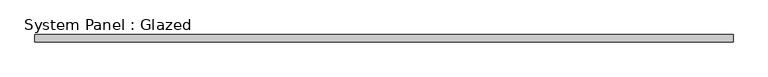
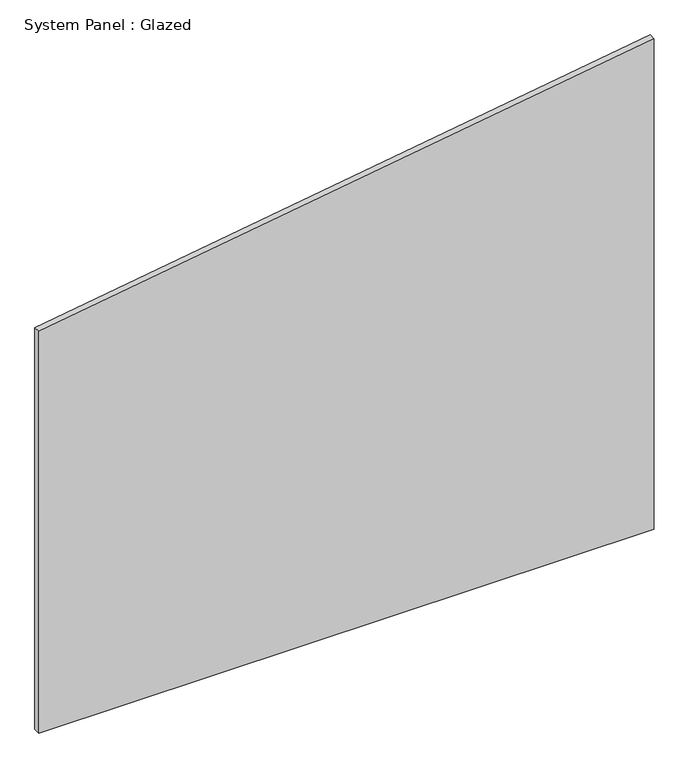
"""IFC4 building model written with IfcOpenShell, lengths in millimetres: plate geometry, System Panel : Glazed."""

from ifc_helpers import new_model, si_unit, frame, origin, place, context, project, spatial, polyline, outline, extrude, source, transform, mapped, element, save


def system_panel_glazed_f11cd127(model_context):
    return source(origin(), model_context, "Body", "SweptSolid", [
        extrude(outline(polyline([(0.0, -1171.7121958), (0.0, 1171.7121958), (1973.4124709, 1171.7121958), (1615.7582258, -1171.7121958), (0.0, -1171.7121958)])), frame((0.0, -49.5, 0.0), z_axis=(0.0, 1.0, 0.0), x_axis=(0.0, 0.0, 1.0)), (0.0, 0.0, 1.0), 25.0),
    ])


if __name__ == "__main__":
    model = new_model("IFC4")
    model_context = context("Model", 3, world=origin())
    ifc_project = project(units=[si_unit("LENGTHUNIT", "METRE", prefix="MILLI")], contexts=[model_context])
    site = spatial("IfcSite", under=ifc_project)
    building = spatial("IfcBuilding", under=site)
    placement = place(None, origin())
    system_panel_glazed_shape = system_panel_glazed_f11cd127(model_context)
    element("IfcPlate", 1, ObjectType="System Panel : Glazed", at=placement, inside=building, context=model_context, shape_type="MappedRepresentation", body=[
        mapped(system_panel_glazed_shape, transform((0.0, 0.0, 0.0), x_axis=(1.0, 0.0, 0.0), y_axis=(0.0, 1.0, 0.0), z_axis=(0.0, 0.0, 1.0))),
    ])
    save(model, "model.ifc")
